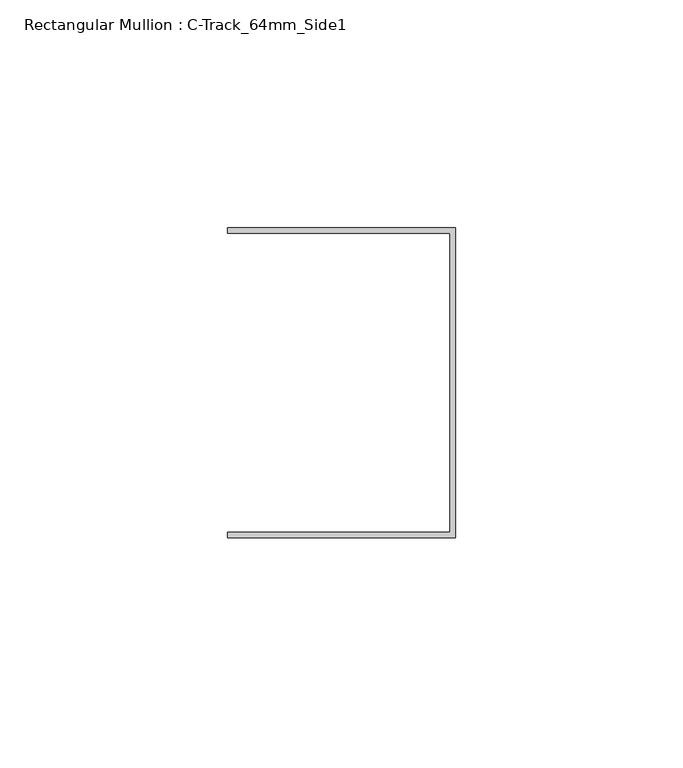
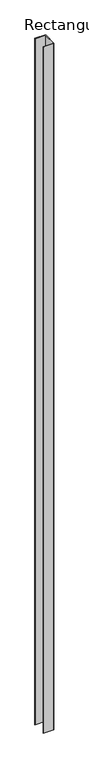
"""IFC4 building model written with IfcOpenShell, lengths in millimetres: member geometry, Rectangular Mullion : C-Track_64mm_Side1."""

from ifc_helpers import new_model, si_unit, frame, origin, place, context, project, spatial, polyline, outline, extrude, source, transform, mapped, element, save


def rectangular_mullion_c_track_64mm_side1_6dd8c716(model_context):
    return source(origin(), model_context, "Body", "SweptSolid", [
        extrude(outline(polyline([(-1.15, 32.85), (-50.0, 32.85), (-50.0, 34.0), (0.0, 34.0), (0.0, -34.0), (-50.0, -34.0), (-50.0, -32.85), (-1.15, -32.85), (-1.15, 32.85)])), frame((0.0, 0.0, -3400.0), z_axis=(0.0, 0.0, 1.0), x_axis=(1.0, 0.0, 0.0)), (0.0, 0.0, 1.0), 3400.0),
    ])


if __name__ == "__main__":
    model = new_model("IFC4")
    model_context = context("Model", 3, world=origin())
    ifc_project = project(units=[si_unit("LENGTHUNIT", "METRE", prefix="MILLI")], contexts=[model_context])
    site = spatial("IfcSite", under=ifc_project)
    building = spatial("IfcBuilding", under=site)
    placement = place(None, origin())
    rectangular_mullion_c_track_64mm_side1_shape = rectangular_mullion_c_track_64mm_side1_6dd8c716(model_context)
    element("IfcMember", 1, ObjectType="Rectangular Mullion : C-Track_64mm_Side1", at=placement, inside=building, context=model_context, shape_type="MappedRepresentation", body=[
        mapped(rectangular_mullion_c_track_64mm_side1_shape, transform((0.0, 0.0, 0.0), x_axis=(1.0, 0.0, 0.0), y_axis=(0.0, 1.0, 0.0), z_axis=(0.0, 0.0, 1.0))),
    ])
    save(model, "model.ifc")
